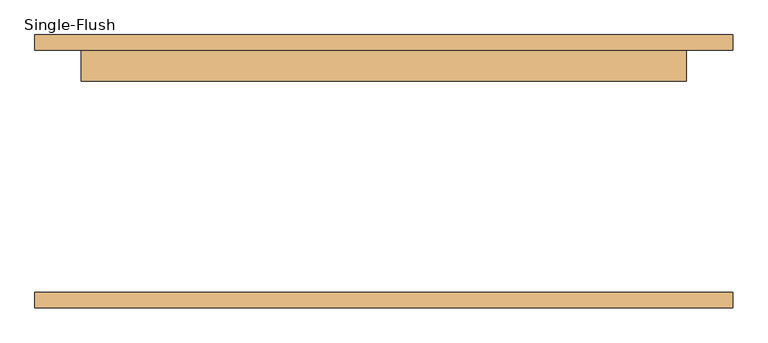
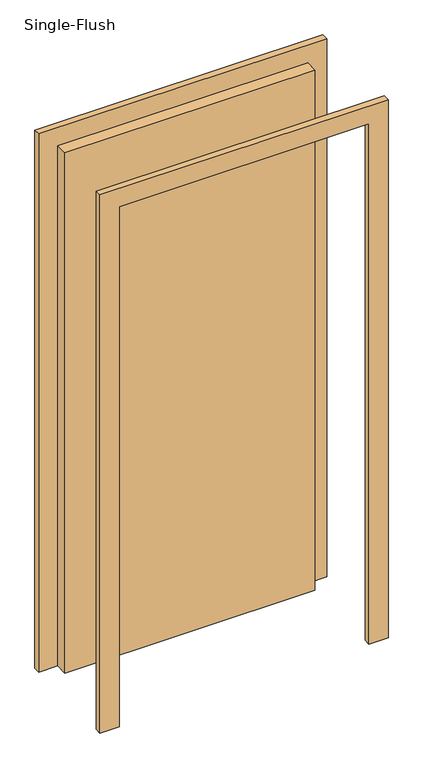
"""IFC4 building model written with IfcOpenShell, lengths in millimetres: door geometry, Single-Flush."""

import ifcopenshell
import ifcopenshell.guid

model = None  # the IFC model being written
_history = None  # IfcOwnerHistory: only IFC2X3 demands one
_inside = {}  # id of a spatial element -> (the spatial element, [elements in it])
_under = {}  # id of a project, library or spatial element -> (it, [spatial elements below it])
_declared = {}  # id of a project -> (the project, [libraries it declares])
_typed = {}  # id of a type object -> (the type object, [elements of that type])
_made_of = {}  # id of a material, layer set ... -> (it, [elements and type objects made of it])


def new_model(schema):
    """Start an empty IFC model of exactly this schema.

    Asked for "IFC4X3", IfcOpenShell would pick the latest addendum, in which some entities
    have other attributes; the version numbers below select the first issue.
    IFC2X3 requires an IfcOwnerHistory on every rooted entity: one is made here for all.
    """
    global model, _history
    if schema == "IFC4X3":
        model = ifcopenshell.file(schema_version=(4, 3, 0, 0))
    else:
        model = ifcopenshell.file(schema=schema)
    _inside.clear()
    _under.clear()
    _declared.clear()
    _typed.clear()
    _made_of.clear()
    _history = None
    if model.schema == "IFC2X3":
        org = make("IfcOrganization", Name="unknown")
        user = make(
            "IfcPersonAndOrganization",
            ThePerson=make("IfcPerson", FamilyName="unknown"),
            TheOrganization=org,
        )
        app = make(
            "IfcApplication",
            ApplicationDeveloper=org,
            Version="unknown",
            ApplicationFullName="unknown",
            ApplicationIdentifier="unknown",
        )
        _history = make(
            "IfcOwnerHistory",
            OwningUser=user,
            OwningApplication=app,
            ChangeAction="ADDED",
            CreationDate=0,
        )
    return model


def make(cls, **values):
    """One entity of the class cls with the attributes given. An attribute that is None is left unset."""
    return model.create_entity(
        cls, **{name: value for name, value in values.items() if value is not None}
    )


def rooted(cls, **values):
    """An entity with a GlobalId (a new one), such as an element, a storey or a relation."""
    return make(cls, GlobalId=ifcopenshell.guid.new(), OwnerHistory=_history, **values)


def si_unit(unit_type, name, prefix=None):
    """IfcSIUnit, for example si_unit("LENGTHUNIT", "METRE", prefix="MILLI")."""
    return make("IfcSIUnit", UnitType=unit_type, Prefix=prefix, Name=name)


def assignment(units):
    """IfcUnitAssignment: the units of a project."""
    return None if units is None else make("IfcUnitAssignment", Units=units)


def point(xyz):
    """IfcCartesianPoint."""
    return None if xyz is None else make("IfcCartesianPoint", Coordinates=xyz)


def direction(xyz):
    """IfcDirection."""
    return None if xyz is None else make("IfcDirection", DirectionRatios=xyz)


def frame(location, z_axis=None, x_axis=None):
    """IfcAxis2Placement3D, a coordinate frame: its origin and axes. An axis left out is left unset."""
    return make(
        "IfcAxis2Placement3D",
        Location=point(location),
        Axis=direction(z_axis),
        RefDirection=direction(x_axis),
    )


def origin():
    """The frame at (0, 0, 0) with its axes left unset."""
    return frame((0.0, 0.0, 0.0))


def origin_with_axes():
    """The frame at (0, 0, 0) with the z axis (0, 0, 1) and the x axis (1, 0, 0) written out."""
    return frame((0.0, 0.0, 0.0), z_axis=(0.0, 0.0, 1.0), x_axis=(1.0, 0.0, 0.0))


def place(relative_to, where):
    """IfcLocalPlacement: puts the frame where relative to a parent placement (None: the world)."""
    return make(
        "IfcLocalPlacement", PlacementRelTo=relative_to, RelativePlacement=where
    )


def context(
    kind, dimensions, precision=None, world=None, true_north=None, identifier=None
):
    """IfcGeometricRepresentationContext, for example the 3D "Model" context."""
    return make(
        "IfcGeometricRepresentationContext",
        ContextIdentifier=identifier,
        ContextType=kind,
        CoordinateSpaceDimension=dimensions,
        Precision=precision,
        WorldCoordinateSystem=world,
        TrueNorth=true_north,
    )


def project(units=None, contexts=None):
    """IfcProject with its units and contexts."""
    return rooted(
        "IfcProject",
        Name="project",
        RepresentationContexts=contexts,
        UnitsInContext=assignment(units),
    )


def spatial(cls, under=None, at=None, **own):
    """A site, building, storey or space (cls), placed at a placement, below another one or the project."""
    s = rooted(cls, ObjectPlacement=at, **own)
    if under is not None:
        _under.setdefault(under.id(), (under, []))[1].append(s)
    return s


def polyline(points):
    """IfcPolyline through the points."""
    return make("IfcPolyline", Points=[point(p) for p in points])


def outline(outer, holes=None, kind="AREA"):
    """IfcArbitraryClosedProfileDef: a profile drawn as a closed curve; with holes, ...WithVoids."""
    if holes is None:
        return make("IfcArbitraryClosedProfileDef", ProfileType=kind, OuterCurve=outer)
    return make(
        "IfcArbitraryProfileDefWithVoids",
        ProfileType=kind,
        OuterCurve=outer,
        InnerCurves=holes,
    )


def extrude(swept, where, along, depth):
    """IfcExtrudedAreaSolid: the profile swept, set in the frame where, extruded along a direction by depth."""
    return make(
        "IfcExtrudedAreaSolid",
        SweptArea=swept,
        Position=where,
        ExtrudedDirection=direction(along),
        Depth=depth,
    )


def shape(context_of_items, identifier, shape_type, items):
    """IfcShapeRepresentation: the items that make up one representation, for example the "Body"."""
    return make(
        "IfcShapeRepresentation",
        ContextOfItems=context_of_items,
        RepresentationIdentifier=identifier,
        RepresentationType=shape_type,
        Items=items,
    )


def source(mapping_origin, context_of_items, identifier, shape_type, items):
    """IfcRepresentationMap: a shape defined once, which mapped items show again and again."""
    return make(
        "IfcRepresentationMap",
        MappingOrigin=mapping_origin,
        MappedRepresentation=shape(context_of_items, identifier, shape_type, items),
    )


def transform(
    local_origin,
    x_axis=None,
    y_axis=None,
    z_axis=None,
    scale=None,
    scale2=None,
    scale3=None,
    uniform=True,
):
    """IfcCartesianTransformationOperator3D, or its non-uniform kind. x_axis, y_axis, z_axis: its Axis1, 2, 3."""
    if uniform:
        return make(
            "IfcCartesianTransformationOperator3D",
            Axis1=direction(x_axis),
            Axis2=direction(y_axis),
            LocalOrigin=point(local_origin),
            Scale=scale,
            Axis3=direction(z_axis),
        )
    return make(
        "IfcCartesianTransformationOperator3DnonUniform",
        Axis1=direction(x_axis),
        Axis2=direction(y_axis),
        LocalOrigin=point(local_origin),
        Scale=scale,
        Axis3=direction(z_axis),
        Scale2=scale2,
        Scale3=scale3,
    )


def mapped(mapping_source, mapping_target):
    """IfcMappedItem: shows the shape of a source again, moved by a transform."""
    return make(
        "IfcMappedItem", MappingSource=mapping_source, MappingTarget=mapping_target
    )


def made_of(thing, what):
    """Note that an element or type object is made of a material, layer set ...; save() writes the relation."""
    if what is not None:
        _made_of.setdefault(what.id(), (what, []))[1].append(thing)
    return thing


def element(
    cls,
    number,
    at=None,
    inside=None,
    cuts=None,
    type_object=None,
    material=None,
    context=None,
    identifier="Body",
    shape_type=None,
    held_by="IfcProductDefinitionShape",
    body=None,
    shapes=None,
    **own,
):
    """One element of the class cls, such as IfcWall. Its Tag is "e" and its number.

    at: its placement. inside: the storey or other place that contains it. cuts: it is an
    opening in that element (IfcRelVoidsElement). A single representation is given by context,
    identifier, shape_type and body (its items); several are given by shapes. held_by: the class
    of the entity that holds the representations. save() writes the other relations.
    """
    e = rooted(cls, Tag="e%d" % number, ObjectPlacement=at, **own)
    if body is not None:
        shapes = [shape(context, identifier, shape_type, body)]
    if shapes is not None:
        e.Representation = make(held_by, Representations=shapes)
    if inside is not None:
        _inside.setdefault(inside.id(), (inside, []))[1].append(e)
    if cuts is not None:
        rooted(
            "IfcRelVoidsElement", RelatingBuildingElement=cuts, RelatedOpeningElement=e
        )
    if type_object is not None:
        _typed.setdefault(type_object.id(), (type_object, []))[1].append(e)
    return made_of(e, material)


def aggregate(whole, parts):
    """IfcRelAggregates: a whole, such as a stair, and the parts it consists of."""
    return rooted("IfcRelAggregates", RelatingObject=whole, RelatedObjects=parts)


def save(model, path):
    """Write the relations noted so far, then the file.

    IfcRelAggregates (storeys below a building ...), IfcRelContainedInSpatialStructure (elements
    in a storey), IfcRelDefinesByType, IfcRelAssociatesMaterial and IfcRelDeclares: one each for
    every whole, place, type object, material and project.
    """
    for whole, parts in _under.values():
        aggregate(whole, parts)
    for where, things in _inside.values():
        rooted(
            "IfcRelContainedInSpatialStructure",
            RelatedElements=things,
            RelatingStructure=where,
        )
    for kind, things in _typed.values():
        rooted("IfcRelDefinesByType", RelatedObjects=things, RelatingType=kind)
    for what, things in _made_of.values():
        rooted("IfcRelAssociatesMaterial", RelatedObjects=things, RelatingMaterial=what)
    for by, libraries in _declared.values():
        rooted("IfcRelDeclares", RelatingContext=by, RelatedDefinitions=libraries)
    model.write(path)


def single_flush_ccfc5015(model_context):
    return source(origin(), model_context, "Body", "SweptSolid", [
        extrude(outline(polyline([(2276.2, -576.2), (0.0, -576.2), (0.0, -500.0), (2200.0, -500.0), (2200.0, 500.0), (0.0, 500.0), (0.0, 576.2), (2276.2, 576.2), (2276.2, -576.2)])), frame((0.0, 200.0, 0.0), z_axis=(0.0, 1.0, 0.0), x_axis=(0.0, 0.0, 1.0)), (0.0, 0.0, 1.0), 25.4),
        extrude(outline(polyline([(2276.2, 576.2), (2276.2, -576.2), (0.0, -576.2), (0.0, -500.0), (2200.0, -500.0), (2200.0, 500.0), (0.0, 500.0), (0.0, 576.2), (2276.2, 576.2)])), frame((0.0, -225.4, 0.0), z_axis=(0.0, 1.0, 0.0), x_axis=(0.0, 0.0, 1.0)), (0.0, 0.0, 1.0), 25.4),
        extrude(outline(polyline([(500.0, 149.2), (-500.0, 149.2), (-500.0, 200.0), (500.0, 200.0), (500.0, 149.2)])), origin_with_axes(), (0.0, 0.0, 1.0), 2200.0),
    ])


if __name__ == "__main__":
    model = new_model("IFC4")
    model_context = context("Model", 3, world=origin())
    ifc_project = project(units=[si_unit("LENGTHUNIT", "METRE", prefix="MILLI")], contexts=[model_context])
    site = spatial("IfcSite", under=ifc_project)
    building = spatial("IfcBuilding", under=site)
    placement = place(None, origin())
    single_flush_shape = single_flush_ccfc5015(model_context)
    element("IfcDoor", 1, ObjectType="Single-Flush", at=placement, inside=building, context=model_context, shape_type="MappedRepresentation", body=[
        mapped(single_flush_shape, transform((0.0, 0.0, 0.0), x_axis=(1.0, 0.0, 0.0), y_axis=(0.0, 1.0, 0.0), z_axis=(0.0, 0.0, 1.0))),
    ])
    save(model, "model.ifc")
